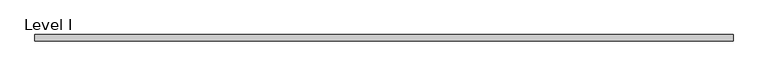
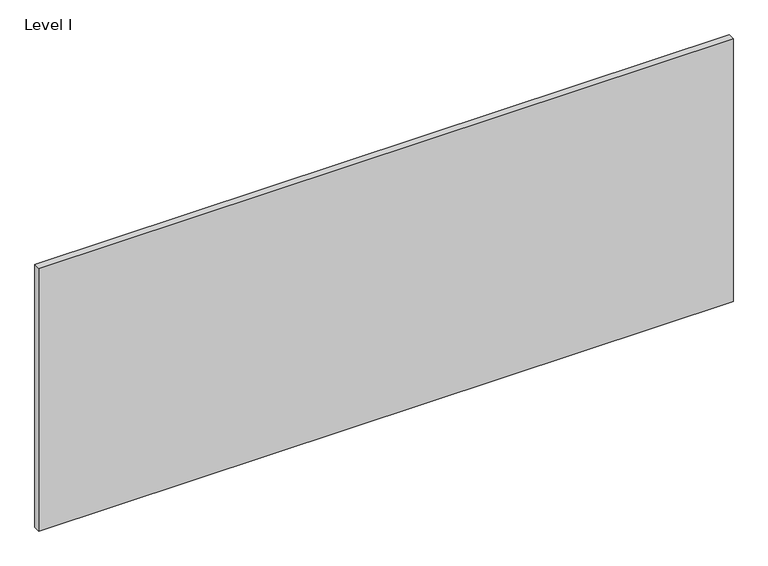
"""IFC4 building model written with IfcOpenShell, lengths in millimetres: proxy geometry, Level I."""

from ifc_helpers import new_model, si_unit, frame, origin, place, context, project, spatial, polyline, outline, extrude, source, transform, mapped, element, save


def level_i_b1a3b441(model_context):
    return source(origin(), model_context, "Body", "SweptSolid", [
        extrude(outline(polyline([(1012.8305563, 9.525), (1012.8305563, -9.525), (-1012.8305562, -9.525), (-1012.8305562, 9.525), (1012.8305563, 9.525)])), frame((0.0, 0.0, 3.175), z_axis=(0.0, 0.0, 1.0), x_axis=(1.0, 0.0, 0.0)), (0.0, 0.0, 1.0), 810.768),
    ])


if __name__ == "__main__":
    model = new_model("IFC4")
    model_context = context("Model", 3, world=origin())
    ifc_project = project(units=[si_unit("LENGTHUNIT", "METRE", prefix="MILLI")], contexts=[model_context])
    site = spatial("IfcSite", under=ifc_project)
    building = spatial("IfcBuilding", under=site)
    placement = place(None, origin())
    level_i_shape = level_i_b1a3b441(model_context)
    element("IfcBuildingElementProxy", 1, Name="Level I", ObjectType="Level I", at=placement, inside=building, context=model_context, shape_type="MappedRepresentation", body=[
        mapped(level_i_shape, transform((0.0, 0.0, 0.0), x_axis=(1.0, 0.0, 0.0), y_axis=(0.0, 1.0, 0.0), z_axis=(0.0, 0.0, 1.0))),
    ])
    save(model, "model.ifc")
